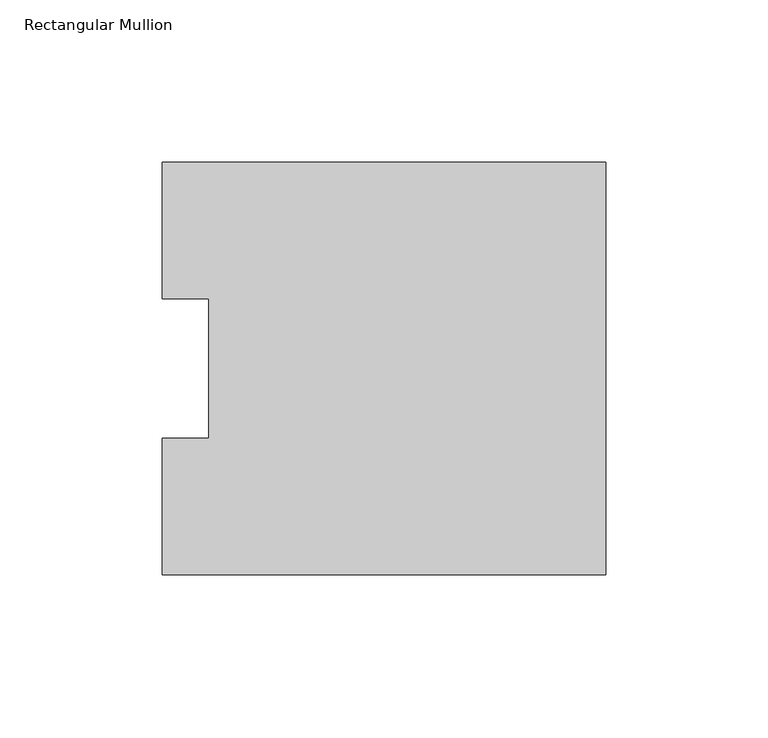
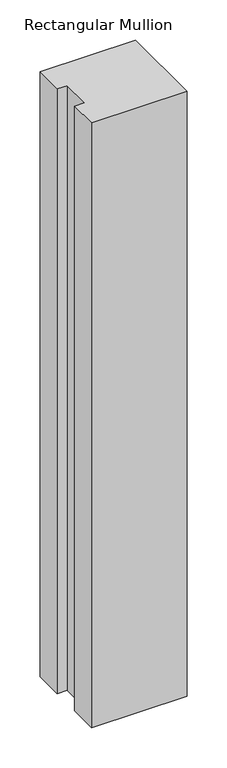
"""IFC4 building model written with IfcOpenShell, lengths in millimetres: member geometry, Rectangular Mullion."""

from ifc_helpers import new_model, si_unit, frame, origin, place, context, project, spatial, polyline, outline, extrude, source, transform, mapped, element, save


def rectangular_mullion_b4d6b097(model_context):
    return source(origin(), model_context, "Body", "SweptSolid", [
        extrude(outline(polyline([(-136.525, 126.7086938), (0.0, 126.7086938), (0.0, -0.2913062), (-136.525, -0.2913062), (-136.525, 41.7837938), (-122.2375, 41.7837938), (-122.2375, 84.6335937), (-136.525, 84.6335937), (-136.525, 126.7086938)])), frame((0.0, 0.0, -914.4), z_axis=(0.0, 0.0, 1.0), x_axis=(1.0, 0.0, 0.0)), (0.0, 0.0, 1.0), 914.4),
    ])


if __name__ == "__main__":
    model = new_model("IFC4")
    model_context = context("Model", 3, world=origin())
    ifc_project = project(units=[si_unit("LENGTHUNIT", "METRE", prefix="MILLI")], contexts=[model_context])
    site = spatial("IfcSite", under=ifc_project)
    building = spatial("IfcBuilding", under=site)
    placement = place(None, origin())
    rectangular_mullion_shape = rectangular_mullion_b4d6b097(model_context)
    element("IfcMember", 1, ObjectType="Rectangular Mullion", at=placement, inside=building, context=model_context, shape_type="MappedRepresentation", body=[
        mapped(rectangular_mullion_shape, transform((0.0, 0.0, 0.0), x_axis=(1.0, 0.0, 0.0), y_axis=(0.0, 1.0, 0.0), z_axis=(0.0, 0.0, 1.0))),
    ])
    save(model, "model.ifc")
